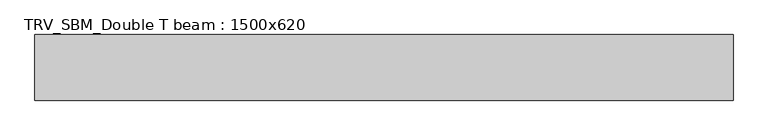
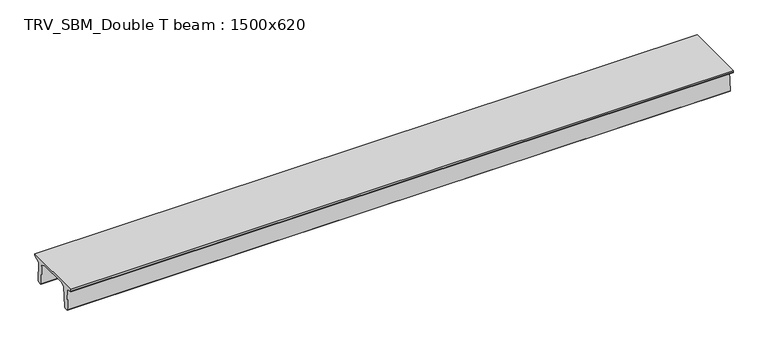
"""IFC4 building model written with IfcOpenShell, lengths in millimetres: beam geometry, TRV_SBM_Double T beam : 1500x620."""

from ifc_helpers import new_model, si_unit, frame, origin, place, context, project, spatial, polyline, outline, extrude, source, transform, mapped, element, save


def trv_sbm_double_t_beam_1500x620_4d2ccd3f(model_context):
    return source(origin(), model_context, "Body", "SweptSolid", [
        extrude(outline(polyline([(-765.0, 215.0), (-765.0, 260.0), (735.0, 260.0), (735.0, 215.0), (728.2094488, 201.315559), (578.0626443, 140.6523122), (594.8277662, -339.4379646), (574.2657308, -360.0), (484.2657308, -360.0), (464.786332, -340.5206011), (447.8600761, 144.18395), (338.3237744, 210.0), (-367.4555014, 210.0), (-476.5389732, 151.9992892), (-507.0080378, -339.3850967), (-527.622941, -360.0), (-615.122941, -360.0), (-637.1143055, -338.0086356), (-606.1572167, 162.687806), (-761.3068466, 204.260024), (-765.0, 215.0)])), frame((-7974.5, 0.0, 0.0), z_axis=(1.0, 0.0, 0.0), x_axis=(0.0, 1.0, 0.0)), (0.0, 0.0, 1.0), 15949.0),
    ])


if __name__ == "__main__":
    model = new_model("IFC4")
    model_context = context("Model", 3, world=origin())
    ifc_project = project(units=[si_unit("LENGTHUNIT", "METRE", prefix="MILLI")], contexts=[model_context])
    site = spatial("IfcSite", under=ifc_project)
    building = spatial("IfcBuilding", under=site)
    placement = place(None, origin())
    trv_sbm_double_t_beam_1500x620_shape = trv_sbm_double_t_beam_1500x620_4d2ccd3f(model_context)
    element("IfcBeam", 1, ObjectType="TRV_SBM_Double T beam : 1500x620", at=placement, inside=building, context=model_context, shape_type="MappedRepresentation", body=[
        mapped(trv_sbm_double_t_beam_1500x620_shape, transform((0.0, 0.0, 0.0), x_axis=(1.0, 0.0, 0.0), y_axis=(0.0, 1.0, 0.0), z_axis=(0.0, 0.0, 1.0))),
    ])
    save(model, "model.ifc")
